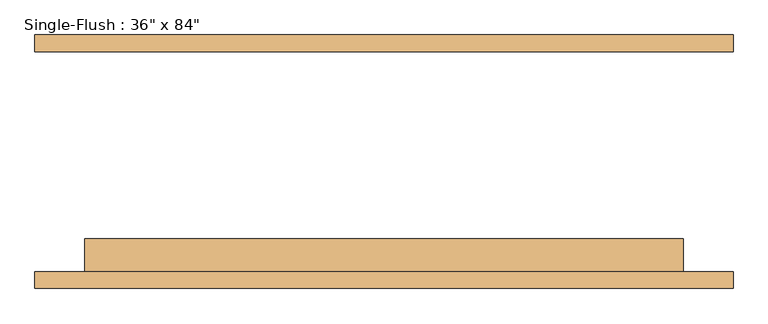
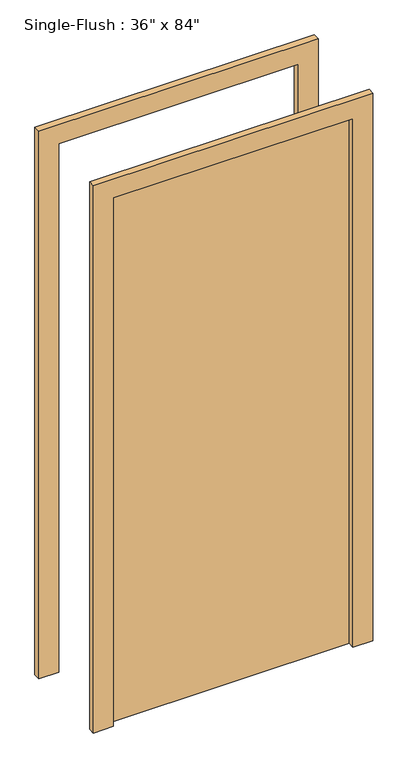
"""IFC4 building model written with IfcOpenShell, lengths in millimetres: door geometry."""

from ifc_helpers import new_model, si_unit, frame, origin, origin_with_axes, place, context, project, spatial, polyline, outline, extrude, source, transform, mapped, element, save


def door_78249962(model_context):
    return source(origin(), model_context, "Body", "SweptSolid", [
        extrude(outline(polyline([(2209.8, -533.4), (0.0, -533.4), (0.0, -457.2), (2133.6, -457.2), (2133.6, 457.2), (0.0, 457.2), (0.0, 533.4), (2209.8, 533.4), (2209.8, -533.4)])), frame((0.0, -193.675, 0.0), z_axis=(0.0, 1.0, 0.0), x_axis=(0.0, 0.0, 1.0)), (0.0, 0.0, 1.0), 25.4),
        extrude(outline(polyline([(2209.8, 533.4), (2209.8, -533.4), (0.0, -533.4), (0.0, -457.2), (2133.6, -457.2), (2133.6, 457.2), (0.0, 457.2), (0.0, 533.4), (2209.8, 533.4)])), frame((0.0, 168.275, 0.0), z_axis=(0.0, 1.0, 0.0), x_axis=(0.0, 0.0, 1.0)), (0.0, 0.0, 1.0), 25.4),
        extrude(outline(polyline([(457.2, -117.475), (457.2, -168.275), (-457.2, -168.275), (-457.2, -117.475), (457.2, -117.475)])), origin_with_axes(), (0.0, 0.0, 1.0), 2133.6),
    ])


if __name__ == "__main__":
    model = new_model("IFC4")
    model_context = context("Model", 3, world=origin())
    ifc_project = project(units=[si_unit("LENGTHUNIT", "METRE", prefix="MILLI")], contexts=[model_context])
    site = spatial("IfcSite", under=ifc_project)
    building = spatial("IfcBuilding", under=site)
    placement = place(None, origin())
    door_shape = door_78249962(model_context)
    element("IfcDoor", 1, ObjectType="Single-Flush : 36\" x 84\"", at=placement, inside=building, context=model_context, shape_type="MappedRepresentation", body=[
        mapped(door_shape, transform((0.0, 0.0, 0.0), x_axis=(1.0, 0.0, 0.0), y_axis=(0.0, 1.0, 0.0), z_axis=(0.0, 0.0, 1.0))),
    ])
    save(model, "model.ifc")
